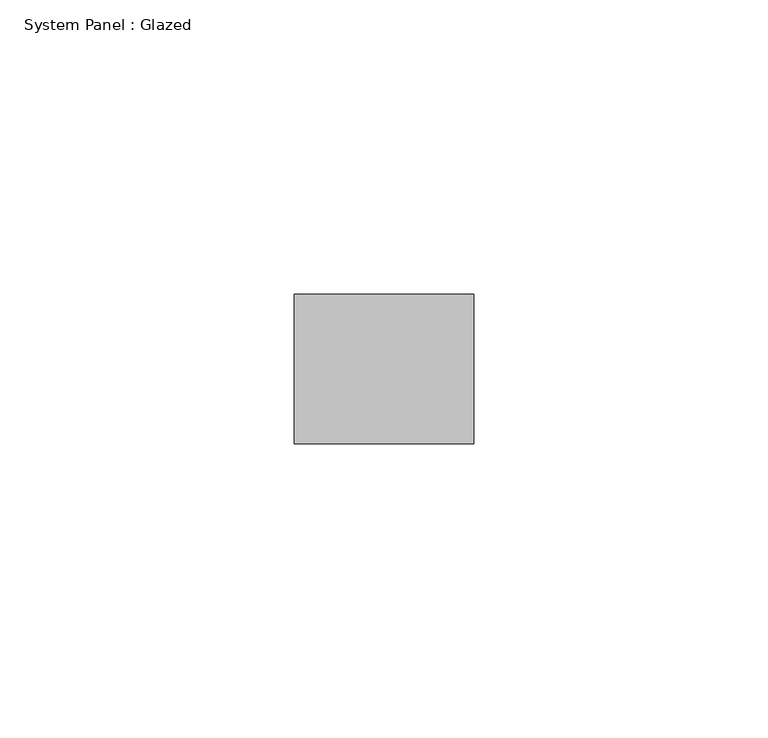
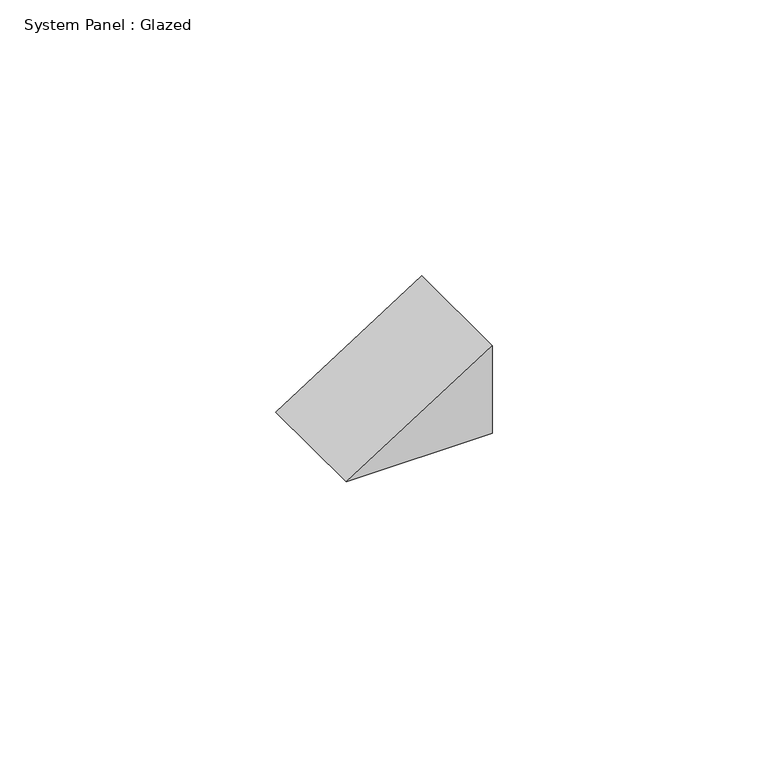
"""IFC4 building model written with IfcOpenShell, lengths in millimetres: plate geometry, System Panel : Glazed."""

from ifc_helpers import new_model, si_unit, frame, origin, place, context, project, spatial, polyline, outline, extrude, source, transform, mapped, element, save


def system_panel_glazed_7ad65efc(model_context):
    return source(origin(), model_context, "Body", "SweptSolid", [
        extrude(outline(polyline([(0.0, -15.2718849), (0.0, 15.2718849), (19.405309, 15.2718849), (0.0, -15.2718849)])), frame((0.0, 19.05, 0.0), z_axis=(0.0, 1.0, 0.0), x_axis=(0.0, 0.0, 1.0)), (0.0, 0.0, 1.0), 25.4),
    ])


if __name__ == "__main__":
    model = new_model("IFC4")
    model_context = context("Model", 3, world=origin())
    ifc_project = project(units=[si_unit("LENGTHUNIT", "METRE", prefix="MILLI")], contexts=[model_context])
    site = spatial("IfcSite", under=ifc_project)
    building = spatial("IfcBuilding", under=site)
    placement = place(None, origin())
    system_panel_glazed_shape = system_panel_glazed_7ad65efc(model_context)
    element("IfcPlate", 1, ObjectType="System Panel : Glazed", at=placement, inside=building, context=model_context, shape_type="MappedRepresentation", body=[
        mapped(system_panel_glazed_shape, transform((0.0, 0.0, 0.0), x_axis=(1.0, 0.0, 0.0), y_axis=(0.0, 1.0, 0.0), z_axis=(0.0, 0.0, 1.0))),
    ])
    save(model, "model.ifc")
